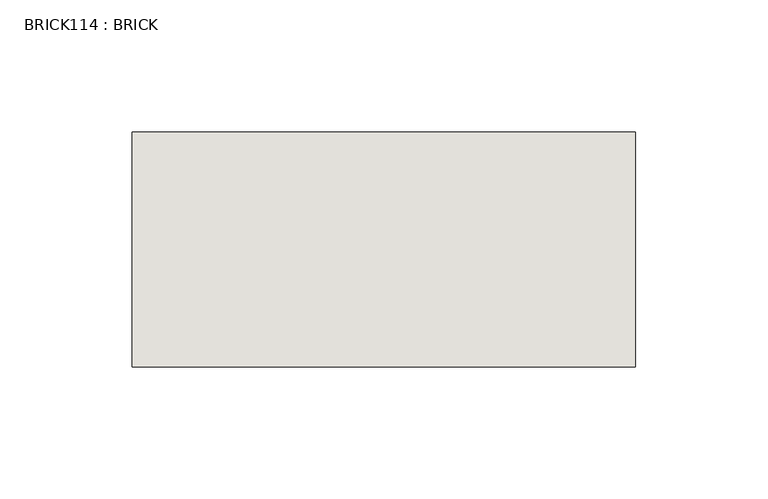
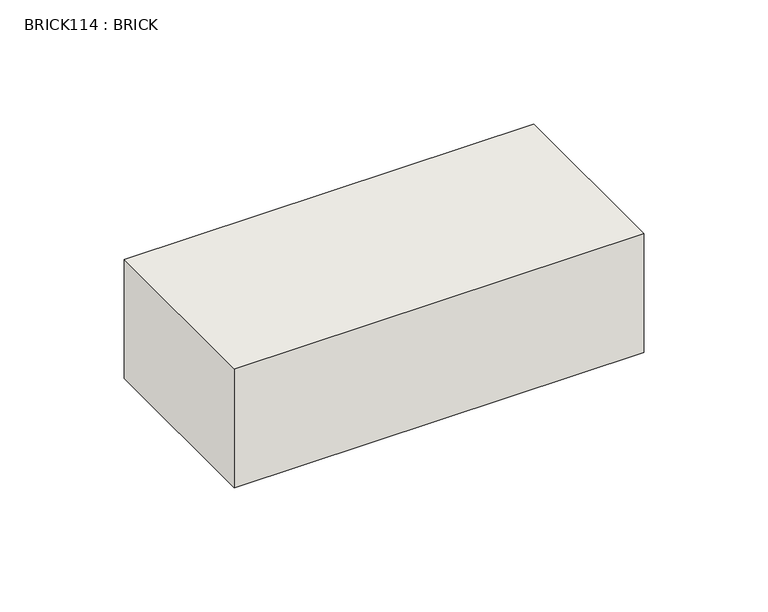
"""IFC4 building model written with IfcOpenShell, lengths in millimetres: wall geometry, BRICK114 : BRICK."""

from ifc_helpers import new_model, si_unit, frame, origin, place, context, project, spatial, polyline, outline, extrude, source, transform, mapped, element, save


def brick114_brick_5bfbd386(model_context):
    return source(origin(), model_context, "Body", "SweptSolid", [
        extrude(outline(polyline([(631.6530711, 2586.2274125), (822.1530711, 2586.2274125), (822.1530711, 2497.3274125), (631.6530711, 2497.3274125), (631.6530711, 2586.2274125)])), frame((0.0, 0.0, 74.3148438), z_axis=(0.0, 0.0, 1.0), x_axis=(1.0, 0.0, 0.0)), (0.0, 0.0, 1.0), 58.4398437),
    ])


if __name__ == "__main__":
    model = new_model("IFC4")
    model_context = context("Model", 3, world=origin())
    ifc_project = project(units=[si_unit("LENGTHUNIT", "METRE", prefix="MILLI")], contexts=[model_context])
    site = spatial("IfcSite", under=ifc_project)
    building = spatial("IfcBuilding", under=site)
    placement = place(None, origin())
    brick114_brick_shape = brick114_brick_5bfbd386(model_context)
    element("IfcWall", 1, ObjectType="BRICK114 : BRICK", at=placement, inside=building, context=model_context, shape_type="MappedRepresentation", body=[
        mapped(brick114_brick_shape, transform((0.0, 0.0, 0.0), x_axis=(1.0, 0.0, 0.0), y_axis=(0.0, 1.0, 0.0), z_axis=(0.0, 0.0, 1.0))),
    ])
    save(model, "model.ifc")
